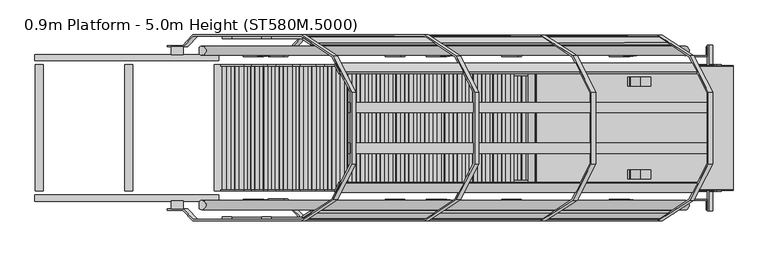
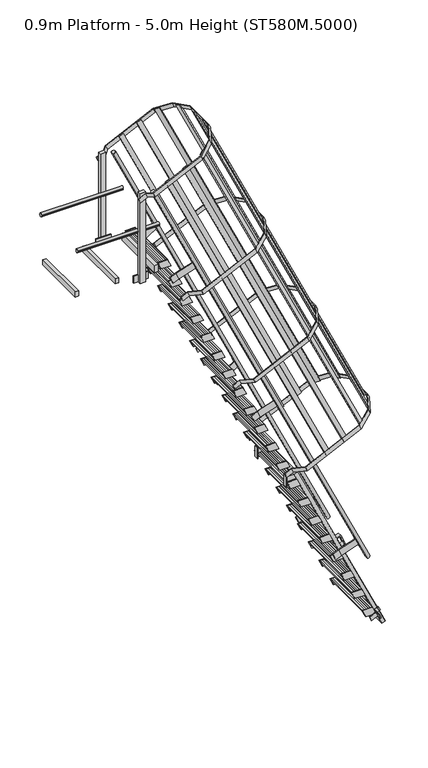
"""IFC4 building model written with IfcOpenShell, lengths in millimetres: proxy geometry, 0.9m Platform - 5.0m Height (ST580M.5000)."""

from ifc_helpers import new_model, si_unit, point, frame, frame_2d, origin, place, context, project, spatial, polyline, circle_curve, trimmed, segment, composite_curve, outline, extrude, source, transform, mapped, element, save


def proxy_0_9m_platform_5_0m_height_st580m_5000_d2aa1b97(model_context):
    return source(origin(), model_context, "Body", "SweptSolid", [
        extrude(outline(polyline([(4750.0, -287.4261889), (4670.0, -250.1215813), (4670.0, -139.7837842), (4750.0, -177.0883969), (4750.0, -287.4261889)])), frame((0.0, 298.5, 0.0), z_axis=(0.0, 1.0, 0.0), x_axis=(0.0, 0.0, 1.0)), (0.0, 0.0, 1.0), 6.0),
        extrude(outline(polyline([(4750.0, -287.4261889), (4670.0, -250.1215813), (4670.0, -139.7837842), (4750.0, -177.0883969), (4750.0, -287.4261889)])), frame((0.0, -304.5, 0.0), z_axis=(0.0, 1.0, 0.0), x_axis=(0.0, 0.0, 1.0)), (0.0, 0.0, 1.0), 6.0),
        extrude(outline(polyline([(4750.0, -280.2542326), (4712.0999991, -262.5811744), (4712.0999991, -260.3744186), (4747.0, -276.648554), (4747.0, -177.8962297), (4712.0999991, -161.6220921), (4712.0999991, -159.4153362), (4750.0, -177.0883969), (4750.0, -197.516138), (4749.2749538, -197.8542326), (4750.0, -198.1923272), (4750.0, -218.116138), (4749.2749538, -218.4542326), (4750.0, -218.7923272), (4750.0, -238.716138), (4749.2749538, -239.0542326), (4750.0, -239.3923272), (4750.0, -259.316138), (4749.2749538, -259.6542326), (4750.0, -259.9923272), (4750.0, -280.2542326)])), frame((0.0, -298.5, 0.0), z_axis=(0.0, 1.0, 0.0), x_axis=(0.0, 0.0, 1.0)), (0.0, 0.0, 1.0), 597.0),
        extrude(outline(polyline([(4500.0, -170.8475896), (4420.0, -133.542982), (4420.0, -23.2051849), (4500.0, -60.5097976), (4500.0, -170.8475896)])), frame((0.0, 298.5, 0.0), z_axis=(0.0, 1.0, 0.0), x_axis=(0.0, 0.0, 1.0)), (0.0, 0.0, 1.0), 6.0),
        extrude(outline(polyline([(4500.0, -170.8475896), (4420.0, -133.542982), (4420.0, -23.2051849), (4500.0, -60.5097976), (4500.0, -170.8475896)])), frame((0.0, -304.5, 0.0), z_axis=(0.0, 1.0, 0.0), x_axis=(0.0, 0.0, 1.0)), (0.0, 0.0, 1.0), 6.0),
        extrude(outline(polyline([(4500.0, -163.6756333), (4462.0999991, -146.0025751), (4462.0999991, -143.7958193), (4497.0, -160.0699547), (4497.0, -61.3176305), (4462.0999991, -45.0434928), (4462.0999991, -42.8367369), (4500.0, -60.5097976), (4500.0, -80.9375387), (4499.2749538, -81.2756333), (4500.0, -81.6137279), (4500.0, -101.5375387), (4499.2749538, -101.8756333), (4500.0, -102.2137279), (4500.0, -122.1375387), (4499.2749538, -122.4756333), (4500.0, -122.8137279), (4500.0, -142.7375387), (4499.2749538, -143.0756333), (4500.0, -143.4137279), (4500.0, -163.6756333)])), frame((0.0, -298.5, 0.0), z_axis=(0.0, 1.0, 0.0), x_axis=(0.0, 0.0, 1.0)), (0.0, 0.0, 1.0), 597.0),
        extrude(outline(polyline([(4250.0, -54.2689903), (4170.0, -16.9643827), (4170.0, 93.3734144), (4250.0, 56.0688017), (4250.0, -54.2689903)])), frame((0.0, 298.5, 0.0), z_axis=(0.0, 1.0, 0.0), x_axis=(0.0, 0.0, 1.0)), (0.0, 0.0, 1.0), 6.0),
        extrude(outline(polyline([(4250.0, -54.2689903), (4170.0, -16.9643827), (4170.0, 93.3734144), (4250.0, 56.0688017), (4250.0, -54.2689903)])), frame((0.0, -304.5, 0.0), z_axis=(0.0, 1.0, 0.0), x_axis=(0.0, 0.0, 1.0)), (0.0, 0.0, 1.0), 6.0),
        extrude(outline(polyline([(4250.0, -47.097034), (4212.0999991, -29.4239758), (4212.0999991, -27.21722), (4247.0, -43.4913555), (4247.0, 55.2609688), (4212.0999991, 71.5351065), (4212.0999991, 73.7418623), (4250.0, 56.0688017), (4250.0, 35.6410605), (4249.2749538, 35.302966), (4250.0, 34.9648714), (4250.0, 15.0410605), (4249.2749538, 14.702966), (4250.0, 14.3648714), (4250.0, -5.5589395), (4249.2749538, -5.897034), (4250.0, -6.2351286), (4250.0, -26.1589395), (4249.2749538, -26.497034), (4250.0, -26.8351286), (4250.0, -47.097034)])), frame((0.0, -298.5, 0.0), z_axis=(0.0, 1.0, 0.0), x_axis=(0.0, 0.0, 1.0)), (0.0, 0.0, 1.0), 597.0),
        extrude(outline(polyline([(4000.0, 62.309609), (3920.0, 99.6142166), (3920.0, 209.9520136), (4000.0, 172.647401), (4000.0, 62.309609)])), frame((0.0, 298.5, 0.0), z_axis=(0.0, 1.0, 0.0), x_axis=(0.0, 0.0, 1.0)), (0.0, 0.0, 1.0), 6.0),
        extrude(outline(polyline([(4000.0, 62.309609), (3920.0, 99.6142166), (3920.0, 209.9520136), (4000.0, 172.647401), (4000.0, 62.309609)])), frame((0.0, -304.5, 0.0), z_axis=(0.0, 1.0, 0.0), x_axis=(0.0, 0.0, 1.0)), (0.0, 0.0, 1.0), 6.0),
        extrude(outline(polyline([(4000.0, 69.4815653), (3962.0999991, 87.1546235), (3962.0999991, 89.3613793), (3997.0, 73.0872438), (3997.0, 171.8395681), (3962.0999991, 188.1137058), (3962.0999991, 190.3204616), (4000.0, 172.647401), (4000.0, 152.2196598), (3999.2749538, 151.8815653), (4000.0, 151.5434707), (4000.0, 131.6196598), (3999.2749538, 131.2815653), (4000.0, 130.9434707), (4000.0, 111.0196598), (3999.2749538, 110.6815653), (4000.0, 110.3434707), (4000.0, 90.4196598), (3999.2749538, 90.0815653), (4000.0, 89.7434707), (4000.0, 69.4815653)])), frame((0.0, -298.5, 0.0), z_axis=(0.0, 1.0, 0.0), x_axis=(0.0, 0.0, 1.0)), (0.0, 0.0, 1.0), 597.0),
        extrude(outline(polyline([(3750.0, 178.8882083), (3670.0, 216.1928159), (3670.0, 326.5306129), (3750.0, 289.2260003), (3750.0, 178.8882083)])), frame((0.0, 298.5, 0.0), z_axis=(0.0, 1.0, 0.0), x_axis=(0.0, 0.0, 1.0)), (0.0, 0.0, 1.0), 6.0),
        extrude(outline(polyline([(3750.0, 178.8882083), (3670.0, 216.1928159), (3670.0, 326.5306129), (3750.0, 289.2260003), (3750.0, 178.8882083)])), frame((0.0, -304.5, 0.0), z_axis=(0.0, 1.0, 0.0), x_axis=(0.0, 0.0, 1.0)), (0.0, 0.0, 1.0), 6.0),
        extrude(outline(polyline([(3750.0, 186.0601646), (3712.0999991, 203.7332228), (3712.0999991, 205.9399786), (3747.0, 189.6658431), (3747.0, 288.4181674), (3712.0999991, 304.6923051), (3712.0999991, 306.8990609), (3750.0, 289.2260003), (3750.0, 268.7982591), (3749.2749538, 268.4601646), (3750.0, 268.12207), (3750.0, 248.1982591), (3749.2749538, 247.8601646), (3750.0, 247.52207), (3750.0, 227.5982591), (3749.2749538, 227.2601646), (3750.0, 226.92207), (3750.0, 206.9982591), (3749.2749538, 206.6601646), (3750.0, 206.32207), (3750.0, 186.0601646)])), frame((0.0, -298.5, 0.0), z_axis=(0.0, 1.0, 0.0), x_axis=(0.0, 0.0, 1.0)), (0.0, 0.0, 1.0), 597.0),
        extrude(outline(polyline([(3500.0, 295.4668075), (3420.0, 332.7714151), (3420.0, 443.1092122), (3500.0, 405.8045996), (3500.0, 295.4668075)])), frame((0.0, 298.5, 0.0), z_axis=(0.0, 1.0, 0.0), x_axis=(0.0, 0.0, 1.0)), (0.0, 0.0, 1.0), 6.0),
        extrude(outline(polyline([(3500.0, 295.4668075), (3420.0, 332.7714151), (3420.0, 443.1092122), (3500.0, 405.8045996), (3500.0, 295.4668075)])), frame((0.0, -304.5, 0.0), z_axis=(0.0, 1.0, 0.0), x_axis=(0.0, 0.0, 1.0)), (0.0, 0.0, 1.0), 6.0),
        extrude(outline(polyline([(3500.0, 302.6387638), (3462.0999991, 320.3118221), (3462.0999991, 322.5185779), (3497.0, 306.2444424), (3497.0, 404.9967667), (3462.0999991, 421.2709044), (3462.0999991, 423.4776602), (3500.0, 405.8045996), (3500.0, 385.3768584), (3499.2749538, 385.0387638), (3500.0, 384.7006693), (3500.0, 364.7768584), (3499.2749538, 364.4387638), (3500.0, 364.1006693), (3500.0, 344.1768584), (3499.2749538, 343.8387638), (3500.0, 343.5006693), (3500.0, 323.5768584), (3499.2749538, 323.2387638), (3500.0, 322.9006693), (3500.0, 302.6387638)])), frame((0.0, -298.5, 0.0), z_axis=(0.0, 1.0, 0.0), x_axis=(0.0, 0.0, 1.0)), (0.0, 0.0, 1.0), 597.0),
        extrude(outline(polyline([(3250.0, 412.0454068), (3170.0, 449.3500144), (3170.0, 559.6878115), (3250.0, 522.3831988), (3250.0, 412.0454068)])), frame((0.0, 298.5, 0.0), z_axis=(0.0, 1.0, 0.0), x_axis=(0.0, 0.0, 1.0)), (0.0, 0.0, 1.0), 6.0),
        extrude(outline(polyline([(3250.0, 412.0454068), (3170.0, 449.3500144), (3170.0, 559.6878115), (3250.0, 522.3831988), (3250.0, 412.0454068)])), frame((0.0, -304.5, 0.0), z_axis=(0.0, 1.0, 0.0), x_axis=(0.0, 0.0, 1.0)), (0.0, 0.0, 1.0), 6.0),
        extrude(outline(polyline([(3250.0, 419.2173631), (3212.0999991, 436.8904214), (3212.0999991, 439.0971772), (3247.0, 422.8230417), (3247.0, 521.575366), (3212.0999991, 537.8495037), (3212.0999991, 540.0562595), (3250.0, 522.3831988), (3250.0, 501.9554577), (3249.2749538, 501.6173631), (3250.0, 501.2792686), (3250.0, 481.3554577), (3249.2749538, 481.0173631), (3250.0, 480.6792686), (3250.0, 460.7554577), (3249.2749538, 460.4173631), (3250.0, 460.0792686), (3250.0, 440.1554577), (3249.2749538, 439.8173631), (3250.0, 439.4792686), (3250.0, 419.2173631)])), frame((0.0, -298.5, 0.0), z_axis=(0.0, 1.0, 0.0), x_axis=(0.0, 0.0, 1.0)), (0.0, 0.0, 1.0), 597.0),
        extrude(outline(polyline([(3000.0, 528.6240061), (2920.0, 565.9286137), (2920.0, 676.2664108), (3000.0, 638.9617981), (3000.0, 528.6240061)])), frame((0.0, 298.5, 0.0), z_axis=(0.0, 1.0, 0.0), x_axis=(0.0, 0.0, 1.0)), (0.0, 0.0, 1.0), 6.0),
        extrude(outline(polyline([(3000.0, 528.6240061), (2920.0, 565.9286137), (2920.0, 676.2664108), (3000.0, 638.9617981), (3000.0, 528.6240061)])), frame((0.0, -304.5, 0.0), z_axis=(0.0, 1.0, 0.0), x_axis=(0.0, 0.0, 1.0)), (0.0, 0.0, 1.0), 6.0),
        extrude(outline(polyline([(3000.0, 535.7959624), (2962.0999991, 553.4690207), (2962.0999991, 555.6757764), (2997.0, 539.401641), (2997.0, 638.1539653), (2962.0999991, 654.4281029), (2962.0999991, 656.6348588), (3000.0, 638.9617981), (3000.0, 618.534057), (2999.2749538, 618.1959624), (3000.0, 617.8578678), (3000.0, 597.934057), (2999.2749538, 597.5959624), (3000.0, 597.2578678), (3000.0, 577.334057), (2999.2749538, 576.9959624), (3000.0, 576.6578678), (3000.0, 556.734057), (2999.2749538, 556.3959624), (3000.0, 556.0578678), (3000.0, 535.7959624)])), frame((0.0, -298.5, 0.0), z_axis=(0.0, 1.0, 0.0), x_axis=(0.0, 0.0, 1.0)), (0.0, 0.0, 1.0), 597.0),
        extrude(outline(polyline([(2750.0, 645.2026054), (2670.0, 682.507213), (2670.0, 792.8450101), (2750.0, 755.5403974), (2750.0, 645.2026054)])), frame((0.0, 298.5, 0.0), z_axis=(0.0, 1.0, 0.0), x_axis=(0.0, 0.0, 1.0)), (0.0, 0.0, 1.0), 6.0),
        extrude(outline(polyline([(2750.0, 645.2026054), (2670.0, 682.507213), (2670.0, 792.8450101), (2750.0, 755.5403974), (2750.0, 645.2026054)])), frame((0.0, -304.5, 0.0), z_axis=(0.0, 1.0, 0.0), x_axis=(0.0, 0.0, 1.0)), (0.0, 0.0, 1.0), 6.0),
        extrude(outline(polyline([(2750.0, 652.3745617), (2712.0999991, 670.0476199), (2712.0999991, 672.2543757), (2747.0, 655.9802403), (2747.0, 754.7325646), (2712.0999991, 771.0067022), (2712.0999991, 773.2134581), (2750.0, 755.5403974), (2750.0, 735.1126563), (2749.2749538, 734.7745617), (2750.0, 734.4364671), (2750.0, 714.5126563), (2749.2749538, 714.1745617), (2750.0, 713.8364671), (2750.0, 693.9126563), (2749.2749538, 693.5745617), (2750.0, 693.2364671), (2750.0, 673.3126563), (2749.2749538, 672.9745617), (2750.0, 672.6364671), (2750.0, 652.3745617)])), frame((0.0, -298.5, 0.0), z_axis=(0.0, 1.0, 0.0), x_axis=(0.0, 0.0, 1.0)), (0.0, 0.0, 1.0), 597.0),
        extrude(outline(polyline([(2500.0, 761.7812047), (2420.0, 799.0858123), (2420.0, 909.4236094), (2500.0, 872.1189967), (2500.0, 761.7812047)])), frame((0.0, 298.5, 0.0), z_axis=(0.0, 1.0, 0.0), x_axis=(0.0, 0.0, 1.0)), (0.0, 0.0, 1.0), 6.0),
        extrude(outline(polyline([(2500.0, 761.7812047), (2420.0, 799.0858123), (2420.0, 909.4236094), (2500.0, 872.1189967), (2500.0, 761.7812047)])), frame((0.0, -304.5, 0.0), z_axis=(0.0, 1.0, 0.0), x_axis=(0.0, 0.0, 1.0)), (0.0, 0.0, 1.0), 6.0),
        extrude(outline(polyline([(2500.0, 768.953161), (2462.0999991, 786.6262192), (2462.0999991, 788.832975), (2497.0, 772.5588396), (2497.0, 871.3111638), (2462.0999991, 887.5853015), (2462.0999991, 889.7920574), (2500.0, 872.1189967), (2500.0, 851.6912556), (2499.2749538, 851.353161), (2500.0, 851.0150664), (2500.0, 831.0912556), (2499.2749538, 830.753161), (2500.0, 830.4150664), (2500.0, 810.4912556), (2499.2749538, 810.153161), (2500.0, 809.8150664), (2500.0, 789.8912556), (2499.2749538, 789.553161), (2500.0, 789.2150664), (2500.0, 768.953161)])), frame((0.0, -298.5, 0.0), z_axis=(0.0, 1.0, 0.0), x_axis=(0.0, 0.0, 1.0)), (0.0, 0.0, 1.0), 597.0),
        extrude(outline(polyline([(2250.0, 878.359804), (2170.0, 915.6644116), (2170.0, 1026.0022087), (2250.0, 988.697596), (2250.0, 878.359804)])), frame((0.0, 298.5, 0.0), z_axis=(0.0, 1.0, 0.0), x_axis=(0.0, 0.0, 1.0)), (0.0, 0.0, 1.0), 6.0),
        extrude(outline(polyline([(2250.0, 878.359804), (2170.0, 915.6644116), (2170.0, 1026.0022087), (2250.0, 988.697596), (2250.0, 878.359804)])), frame((0.0, -304.5, 0.0), z_axis=(0.0, 1.0, 0.0), x_axis=(0.0, 0.0, 1.0)), (0.0, 0.0, 1.0), 6.0),
        extrude(outline(polyline([(2250.0, 885.5317603), (2212.0999991, 903.2048185), (2212.0999991, 905.4115743), (2247.0, 889.1374388), (2247.0, 987.8897631), (2212.0999991, 1004.1639008), (2212.0999991, 1006.3706566), (2250.0, 988.697596), (2250.0, 968.2698548), (2249.2749538, 967.9317603), (2250.0, 967.5936657), (2250.0, 947.6698548), (2249.2749538, 947.3317603), (2250.0, 946.9936657), (2250.0, 927.0698548), (2249.2749538, 926.7317603), (2250.0, 926.3936657), (2250.0, 906.4698548), (2249.2749538, 906.1317603), (2250.0, 905.7936657), (2250.0, 885.5317603)])), frame((0.0, -298.5, 0.0), z_axis=(0.0, 1.0, 0.0), x_axis=(0.0, 0.0, 1.0)), (0.0, 0.0, 1.0), 597.0),
        extrude(outline(polyline([(2000.0, 994.9384033), (1920.0, 1032.2430109), (1920.0, 1142.5808079), (2000.0, 1105.2761953), (2000.0, 994.9384033)])), frame((0.0, 298.5, 0.0), z_axis=(0.0, 1.0, 0.0), x_axis=(0.0, 0.0, 1.0)), (0.0, 0.0, 1.0), 6.0),
        extrude(outline(polyline([(2000.0, 994.9384033), (1920.0, 1032.2430109), (1920.0, 1142.5808079), (2000.0, 1105.2761953), (2000.0, 994.9384033)])), frame((0.0, -304.5, 0.0), z_axis=(0.0, 1.0, 0.0), x_axis=(0.0, 0.0, 1.0)), (0.0, 0.0, 1.0), 6.0),
        extrude(outline(polyline([(2000.0, 1002.1103596), (1962.0999991, 1019.7834178), (1962.0999991, 1021.9901736), (1997.0, 1005.7160381), (1997.0, 1104.4683624), (1962.0999991, 1120.7425001), (1962.0999991, 1122.9492559), (2000.0, 1105.2761953), (2000.0, 1084.8484541), (1999.2749538, 1084.5103596), (2000.0, 1084.172265), (2000.0, 1064.2484541), (1999.2749538, 1063.9103596), (2000.0, 1063.572265), (2000.0, 1043.6484541), (1999.2749538, 1043.3103596), (2000.0, 1042.972265), (2000.0, 1023.0484541), (1999.2749538, 1022.7103596), (2000.0, 1022.372265), (2000.0, 1002.1103596)])), frame((0.0, -298.5, 0.0), z_axis=(0.0, 1.0, 0.0), x_axis=(0.0, 0.0, 1.0)), (0.0, 0.0, 1.0), 597.0),
        extrude(outline(polyline([(1750.0, 1111.5170026), (1670.0, 1148.8216102), (1670.0, 1259.1594072), (1750.0, 1221.8547946), (1750.0, 1111.5170026)])), frame((0.0, 298.5, 0.0), z_axis=(0.0, 1.0, 0.0), x_axis=(0.0, 0.0, 1.0)), (0.0, 0.0, 1.0), 6.0),
        extrude(outline(polyline([(1750.0, 1111.5170026), (1670.0, 1148.8216102), (1670.0, 1259.1594072), (1750.0, 1221.8547946), (1750.0, 1111.5170026)])), frame((0.0, -304.5, 0.0), z_axis=(0.0, 1.0, 0.0), x_axis=(0.0, 0.0, 1.0)), (0.0, 0.0, 1.0), 6.0),
        extrude(outline(polyline([(1750.0, 1118.6889589), (1712.0999991, 1136.3620171), (1712.0999991, 1138.5687729), (1747.0, 1122.2946374), (1747.0, 1221.0469617), (1712.0999991, 1237.3210994), (1712.0999991, 1239.5278552), (1750.0, 1221.8547946), (1750.0, 1201.4270534), (1749.2749538, 1201.0889589), (1750.0, 1200.7508643), (1750.0, 1180.8270534), (1749.2749538, 1180.4889589), (1750.0, 1180.1508643), (1750.0, 1160.2270534), (1749.2749538, 1159.8889589), (1750.0, 1159.5508643), (1750.0, 1139.6270534), (1749.2749538, 1139.2889589), (1750.0, 1138.9508643), (1750.0, 1118.6889589)])), frame((0.0, -298.5, 0.0), z_axis=(0.0, 1.0, 0.0), x_axis=(0.0, 0.0, 1.0)), (0.0, 0.0, 1.0), 597.0),
        extrude(outline(polyline([(1500.0, 1228.0956018), (1420.0, 1265.4002094), (1420.0, 1375.7380065), (1500.0, 1338.4333939), (1500.0, 1228.0956018)])), frame((0.0, 298.5, 0.0), z_axis=(0.0, 1.0, 0.0), x_axis=(0.0, 0.0, 1.0)), (0.0, 0.0, 1.0), 6.0),
        extrude(outline(polyline([(1500.0, 1228.0956018), (1420.0, 1265.4002094), (1420.0, 1375.7380065), (1500.0, 1338.4333939), (1500.0, 1228.0956018)])), frame((0.0, -304.5, 0.0), z_axis=(0.0, 1.0, 0.0), x_axis=(0.0, 0.0, 1.0)), (0.0, 0.0, 1.0), 6.0),
        extrude(outline(polyline([(1500.0, 1235.2675581), (1462.0999991, 1252.9406164), (1462.0999991, 1255.1473722), (1497.0, 1238.8732367), (1497.0, 1337.625561), (1462.0999991, 1353.8996987), (1462.0999991, 1356.1064545), (1500.0, 1338.4333939), (1500.0, 1318.0056527), (1499.2749538, 1317.6675581), (1500.0, 1317.3294636), (1500.0, 1297.4056527), (1499.2749538, 1297.0675581), (1500.0, 1296.7294636), (1500.0, 1276.8056527), (1499.2749538, 1276.4675581), (1500.0, 1276.1294636), (1500.0, 1256.2056527), (1499.2749538, 1255.8675581), (1500.0, 1255.5294636), (1500.0, 1235.2675581)])), frame((0.0, -298.5, 0.0), z_axis=(0.0, 1.0, 0.0), x_axis=(0.0, 0.0, 1.0)), (0.0, 0.0, 1.0), 597.0),
        extrude(outline(polyline([(1250.0, 1344.6742011), (1170.0, 1381.9788087), (1170.0, 1492.3166058), (1250.0, 1455.0119931), (1250.0, 1344.6742011)])), frame((0.0, 298.5, 0.0), z_axis=(0.0, 1.0, 0.0), x_axis=(0.0, 0.0, 1.0)), (0.0, 0.0, 1.0), 6.0),
        extrude(outline(polyline([(1250.0, 1344.6742011), (1170.0, 1381.9788087), (1170.0, 1492.3166058), (1250.0, 1455.0119931), (1250.0, 1344.6742011)])), frame((0.0, -304.5, 0.0), z_axis=(0.0, 1.0, 0.0), x_axis=(0.0, 0.0, 1.0)), (0.0, 0.0, 1.0), 6.0),
        extrude(outline(polyline([(1250.0, 1351.8461574), (1212.0999991, 1369.5192157), (1212.0999991, 1371.7259715), (1247.0, 1355.451836), (1247.0, 1454.2041603), (1212.0999991, 1470.478298), (1212.0999991, 1472.6850538), (1250.0, 1455.0119931), (1250.0, 1434.584252), (1249.2749538, 1434.2461574), (1250.0, 1433.9080629), (1250.0, 1413.984252), (1249.2749538, 1413.6461574), (1250.0, 1413.3080629), (1250.0, 1393.384252), (1249.2749538, 1393.0461574), (1250.0, 1392.7080629), (1250.0, 1372.784252), (1249.2749538, 1372.4461574), (1250.0, 1372.1080629), (1250.0, 1351.8461574)])), frame((0.0, -298.5, 0.0), z_axis=(0.0, 1.0, 0.0), x_axis=(0.0, 0.0, 1.0)), (0.0, 0.0, 1.0), 597.0),
        extrude(outline(polyline([(1000.0, 1461.2528004), (920.0, 1498.557408), (920.0, 1608.8952051), (1000.0, 1571.5905924), (1000.0, 1461.2528004)])), frame((0.0, 298.5, 0.0), z_axis=(0.0, 1.0, 0.0), x_axis=(0.0, 0.0, 1.0)), (0.0, 0.0, 1.0), 6.0),
        extrude(outline(polyline([(1000.0, 1461.2528004), (920.0, 1498.557408), (920.0, 1608.8952051), (1000.0, 1571.5905924), (1000.0, 1461.2528004)])), frame((0.0, -304.5, 0.0), z_axis=(0.0, 1.0, 0.0), x_axis=(0.0, 0.0, 1.0)), (0.0, 0.0, 1.0), 6.0),
        extrude(outline(polyline([(1000.0, 1468.4247567), (962.0999991, 1486.097815), (962.0999991, 1488.3045707), (997.0, 1472.0304353), (997.0, 1570.7827596), (962.0999991, 1587.0568972), (962.0999991, 1589.2636531), (1000.0, 1571.5905924), (1000.0, 1551.1628513), (999.2749538, 1550.8247567), (1000.0, 1550.4866621), (1000.0, 1530.5628513), (999.2749538, 1530.2247567), (1000.0, 1529.8866621), (1000.0, 1509.9628513), (999.2749538, 1509.6247567), (1000.0, 1509.2866621), (1000.0, 1489.3628513), (999.2749538, 1489.0247567), (1000.0, 1488.6866621), (1000.0, 1468.4247567)])), frame((0.0, -298.5, 0.0), z_axis=(0.0, 1.0, 0.0), x_axis=(0.0, 0.0, 1.0)), (0.0, 0.0, 1.0), 597.0),
        extrude(outline(polyline([(750.0, 1577.8313997), (670.0, 1615.1360073), (670.0, 1725.4738044), (750.0, 1688.1691917), (750.0, 1577.8313997)])), frame((0.0, 298.5, 0.0), z_axis=(0.0, 1.0, 0.0), x_axis=(0.0, 0.0, 1.0)), (0.0, 0.0, 1.0), 6.0),
        extrude(outline(polyline([(750.0, 1577.8313997), (670.0, 1615.1360073), (670.0, 1725.4738044), (750.0, 1688.1691917), (750.0, 1577.8313997)])), frame((0.0, -304.5, 0.0), z_axis=(0.0, 1.0, 0.0), x_axis=(0.0, 0.0, 1.0)), (0.0, 0.0, 1.0), 6.0),
        extrude(outline(polyline([(750.0, 1585.003356), (712.0999991, 1602.6764142), (712.0999991, 1604.88317), (747.0, 1588.6090346), (747.0, 1687.3613589), (712.0999991, 1703.6354965), (712.0999991, 1705.8422524), (750.0, 1688.1691917), (750.0, 1667.7414506), (749.2749538, 1667.403356), (750.0, 1667.0652614), (750.0, 1647.1414506), (749.2749538, 1646.803356), (750.0, 1646.4652614), (750.0, 1626.5414506), (749.2749538, 1626.203356), (750.0, 1625.8652614), (750.0, 1605.9414506), (749.2749538, 1605.603356), (750.0, 1605.2652614), (750.0, 1585.003356)])), frame((0.0, -298.5, 0.0), z_axis=(0.0, 1.0, 0.0), x_axis=(0.0, 0.0, 1.0)), (0.0, 0.0, 1.0), 597.0),
        extrude(outline(polyline([(500.0, 1694.409999), (420.0, 1731.7146066), (420.0, 1842.0524037), (500.0, 1804.747791), (500.0, 1694.409999)])), frame((0.0, 298.5, 0.0), z_axis=(0.0, 1.0, 0.0), x_axis=(0.0, 0.0, 1.0)), (0.0, 0.0, 1.0), 6.0),
        extrude(outline(polyline([(500.0, 1694.409999), (420.0, 1731.7146066), (420.0, 1842.0524037), (500.0, 1804.747791), (500.0, 1694.409999)])), frame((0.0, -304.5, 0.0), z_axis=(0.0, 1.0, 0.0), x_axis=(0.0, 0.0, 1.0)), (0.0, 0.0, 1.0), 6.0),
        extrude(outline(polyline([(500.0, 1701.5819553), (462.0999991, 1719.2550135), (462.0999991, 1721.4617693), (497.0, 1705.1876339), (497.0, 1803.9399581), (462.0999991, 1820.2140958), (462.0999991, 1822.4208517), (500.0, 1804.747791), (500.0, 1784.3200499), (499.2749538, 1783.9819553), (500.0, 1783.6438607), (500.0, 1763.7200499), (499.2749538, 1763.3819553), (500.0, 1763.0438607), (500.0, 1743.1200499), (499.2749538, 1742.7819553), (500.0, 1742.4438607), (500.0, 1722.5200499), (499.2749538, 1722.1819553), (500.0, 1721.8438607), (500.0, 1701.5819553)])), frame((0.0, -298.5, 0.0), z_axis=(0.0, 1.0, 0.0), x_axis=(0.0, 0.0, 1.0)), (0.0, 0.0, 1.0), 597.0),
        extrude(outline(polyline([(0.0, -6.0), (0.0, 0.0), (50.0, 0.0), (50.0, -6.0), (0.0, -6.0)])), frame((1001.5086641, 296.0, 1938.5821407), z_axis=(-5.264905366508809e-06, 0.0, 0.9999999999861404), x_axis=(0.0, -1.0, 0.0)), (0.0, 0.0, 1.0), 120.0),
        extrude(outline(polyline([(2000.5826938, 1106.5541818), (2058.5825514, 1079.5080323), (2058.5821407, 1001.5080323), (2000.5821407, 1001.5083377), (2000.5826938, 1106.5541818)])), frame((0.0, 252.0, 0.0), z_axis=(0.0, 1.0, 0.0), x_axis=(0.0, 0.0, 1.0)), (0.0, 0.0, 1.0), 38.0),
        extrude(outline(polyline([(0.0, -6.0), (0.0, 0.0), (50.0, 0.0), (50.0, -6.0), (0.0, -6.0)])), frame((995.5086641, -296.0, 1938.5821091), z_axis=(-5.264905364066319e-06, 0.0, 0.9999999999861405), x_axis=(0.0, 1.0, 0.0)), (0.0, 0.0, 1.0), 120.0),
        extrude(outline(polyline([(2000.5826938, 1106.5541818), (2058.5825514, 1079.5080323), (2058.5821407, 1001.5080323), (2000.5821407, 1001.5083377), (2000.5826938, 1106.5541818)])), frame((0.0, -290.0, 0.0), z_axis=(0.0, 1.0, 0.0), x_axis=(0.0, 0.0, 1.0)), (0.0, 0.0, 1.0), 38.0),
        extrude(outline(polyline([(0.0, -590.0), (0.0, 0.0), (2.0, 0.0), (2.0, -590.0), (0.0, -590.0)])), frame((2060.3227343, -295.0, 49.8945417), z_axis=(-0.4226230333595665, 0.0, 0.9063055619789381), x_axis=(-0.9063055619789381, 0.0, -0.4226230333595665)), (0.0, 0.0, 1.0), 2240.0),
        extrude(outline(polyline([(2249.9999999, 0.0), (2249.9999999, -600.0), (0.0, -600.0), (0.0, 0.0), (2249.9999999, 0.0)]), holes=[polyline([(1095.9999999, -58.0), (58.0, -58.0), (58.0, -542.0), (1095.9999999, -542.0), (1095.9999999, -58.0)]), polyline([(1154.0, -542.0), (2191.9999999, -542.0), (2191.9999999, -58.0), (1154.0, -58.0), (1154.0, -542.0)])]), frame((1075.281802, 300.0, 2067.645607), z_axis=(0.9063055619789381, 0.0, 0.4226230333595665), x_axis=(0.4226230333595665, 0.0, -0.9063055619789381)), (0.0, 0.0, 1.0), 38.0),
        extrude(outline(polyline([(0.0, 0.0), (80.0000001, 0.0), (80.0000001, -6.0), (6.0, -6.0), (6.0, -50.0), (0.0, -50.0), (0.0, 0.0)])), frame((1958.5639417, 343.0, 173.4669825), z_axis=(-0.4226230333595665, 0.0, 0.9063055619789381), x_axis=(-0.9063055619789381, 0.0, -0.4226230333595665)), (0.0, 0.0, 1.0), 50.0),
        extrude(outline(polyline([(0.0, 686.0), (0.0, 736.0), (6.0, 736.0), (6.0, 692.0), (80.0000001, 692.0), (80.0000001, 686.0), (0.0, 686.0)])), frame((1958.5639417, 343.0, 173.4669825), z_axis=(-0.4226230333595665, 0.0, 0.9063055619789381), x_axis=(-0.9063055619789381, 0.0, -0.4226230333595665)), (0.0, 0.0, 1.0), 50.0),
        extrude(outline(polyline([(-100.0, 0.0), (0.0, 0.0), (0.0, -50.0), (-6.0, -50.0), (-6.0, -6.0), (-100.0, -6.0), (-100.0, 0.0)])), frame((1958.5639417, -300.0, 173.4669825), z_axis=(-0.4226230333595665, 0.0, 0.9063055619789381), x_axis=(0.0, 1.0, 0.0)), (0.0, 0.0, 1.0), 50.0),
        extrude(outline(polyline([(700.0, 0.0), (700.0, -6.0), (606.0, -6.0), (606.0, -50.0), (600.0, -50.0), (600.0, 0.0), (700.0, 0.0)])), frame((1958.5639417, -300.0, 173.4669825), z_axis=(-0.4226230333595665, 0.0, 0.9063055619789381), x_axis=(0.0, 1.0, 0.0)), (0.0, 0.0, 1.0), 50.0),
        extrude(outline(polyline([(1117.9756465, 1562.2614895), (1132.3705659, 1608.5112062), (1038.1147875, 1652.4640017), (1011.9378957, 1611.7083844), (989.2802567, 1622.2739603), (993.506487, 1631.3370159), (1008.007376, 1624.5750474), (1034.1842678, 1665.3306646), (1144.7535463, 1613.7706545), (1130.3586269, 1567.5209378), (1144.8595159, 1560.7589693), (1140.6332855, 1551.6959137), (1117.9756465, 1562.2614895)])), frame((0.0, 201.0, 0.0), z_axis=(0.0, 1.0, 0.0), x_axis=(0.0, 0.0, 1.0)), (0.0, 0.0, 1.0), 44.0),
        extrude(outline(polyline([(1117.9756465, 1562.2614895), (1132.3705659, 1608.5112062), (1038.1147875, 1652.4640017), (1011.9378957, 1611.7083844), (989.2802567, 1622.2739603), (993.506487, 1631.3370159), (1008.007376, 1624.5750474), (1034.1842678, 1665.3306646), (1144.7535463, 1613.7706545), (1130.3586269, 1567.5209378), (1144.8595159, 1560.7589693), (1140.6332855, 1551.6959137), (1117.9756465, 1562.2614895)])), frame((0.0, -245.0, 0.0), z_axis=(0.0, 1.0, 0.0), x_axis=(0.0, 0.0, 1.0)), (0.0, 0.0, 1.0), 44.0),
        extrude(outline(polyline([(-573.915974, 0.0), (0.0, 0.0), (168.0, -100.0), (268.0, -275.0), (268.0, -621.0), (168.0, -796.0), (0.0, -896.0), (-573.915974, -896.0), (-626.9765801, -845.0), (-710.8030304, -845.0), (-710.8030304, -839.0), (-624.5606061, -839.0), (-571.5, -890.0), (-1.5933867, -890.0), (163.6024049, -791.6024049), (262.0, -619.4066134), (262.0, -276.5933866), (163.6024049, -104.3975951), (-1.5933867, -6.0), (-571.5, -6.0), (-624.5606061, -57.0), (-710.8030304, -57.0), (-710.8030304, -51.0), (-626.9765801, -51.0), (-573.915974, 0.0)])), frame((4.1217502, 448.0, 6128.9318413), z_axis=(-0.4226230333595665, 0.0, 0.9063055619789381), x_axis=(0.9063055619789381, 0.0, 0.4226230333595665)), (0.0, 0.0, 1.0), 50.0),
        extrude(outline(polyline([(-6.0, 0.0), (0.0, 0.0), (0.0, -77.584026), (99.0, -180.584026), (99.0, -827.0), (-1.0, -995.0), (-176.0, -1095.0), (-522.0, -1095.0), (-697.0, -995.0), (-797.0, -827.0), (-797.0, -180.584026), (-698.0, -77.584026), (-698.0, 0.0), (-692.0, 0.0), (-692.0, -80.0), (-791.0, -183.0000001), (-791.0, -825.4066134), (-692.6024049, -990.6024049), (-520.4066134, -1089.0), (-177.5933866, -1089.0), (-5.3975951, -990.6024049), (93.0, -825.4066134), (93.0, -183.0000001), (-6.0, -80.0), (-6.0, 0.0)])), frame((408.3248165, 349.0, 3305.3008676), z_axis=(-0.4226230333595665, 0.0, 0.9063055619789381), x_axis=(0.0, 1.0, 0.0)), (0.0, 0.0, 1.0), 50.0),
        extrude(outline(polyline([(-6.0, 0.0), (0.0, 0.0), (0.0, -77.5840259), (99.0, -180.5840259), (99.0, -827.0), (-1.0, -994.9999999), (-176.0, -1094.9999999), (-522.0, -1094.9999999), (-697.0, -994.9999999), (-797.0, -827.0), (-797.0, -180.5840259), (-698.0, -77.5840259), (-698.0, 0.0), (-692.0, 0.0), (-692.0, -79.9999999), (-791.0, -183.0), (-791.0, -825.4066134), (-692.6024049, -990.6024048), (-520.4066134, -1089.0), (-177.5933866, -1089.0), (-5.3975951, -990.6024048), (93.0, -825.4066134), (93.0, -183.0), (-6.0, -79.9999999), (-6.0, 0.0)])), frame((970.370336, 349.0, 2100.0069292), z_axis=(-0.4226230333595665, 0.0, 0.9063055619789381), x_axis=(0.0, 1.0, 0.0)), (0.0, 0.0, 1.0), 50.0),
        extrude(outline(polyline([(0.0, 0.0), (50.0, 0.0), (50.0, -12.0), (0.0, -12.0), (0.0, 0.0)])), frame((1386.3645889, 430.0, 2293.9909015), z_axis=(-0.4226230333595665, 0.0, 0.9063055619789381), x_axis=(-0.9063055619789381, 0.0, -0.4226230333595665)), (0.0, 0.0, 1.0), 4109.795965),
        extrude(outline(polyline([(-210.0, 0.0), (-160.0, 0.0), (-160.0, -12.0), (-210.0, -12.0), (-210.0, 0.0)])), frame((1386.3645889, 430.0, 2293.9909015), z_axis=(-0.4226230333595665, 0.0, 0.9063055619789381), x_axis=(-0.9063055619789381, 0.0, -0.4226230333595665)), (0.0, 0.0, 1.0), 4109.795965),
        extrude(outline(polyline([(-630.0, 357.5), (-618.0, 357.5), (-618.0, 307.5), (-630.0, 307.5), (-630.0, 357.5)])), frame((1386.3645889, 430.0, 2293.9909015), z_axis=(-0.4226230333595665, 0.0, 0.9063055619789381), x_axis=(-0.9063055619789381, 0.0, -0.4226230333595665)), (0.0, 0.0, 1.0), 4109.795965),
        extrude(outline(polyline([(-630.0, 552.5), (-618.0, 552.5), (-618.0, 502.5), (-630.0, 502.5), (-630.0, 552.5)])), frame((1386.3645889, 430.0, 2293.9909015), z_axis=(-0.4226230333595665, 0.0, 0.9063055619789381), x_axis=(-0.9063055619789381, 0.0, -0.4226230333595665)), (0.0, 0.0, 1.0), 4109.795965),
        extrude(outline(polyline([(-210.0, 872.0), (-160.0, 872.0), (-160.0, 860.0), (-210.0, 860.0), (-210.0, 872.0)])), frame((1386.3645889, 430.0, 2293.9909015), z_axis=(-0.4226230333595665, 0.0, 0.9063055619789381), x_axis=(-0.9063055619789381, 0.0, -0.4226230333595665)), (0.0, 0.0, 1.0), 4109.795965),
        extrude(outline(polyline([(0.0, 872.0), (50.0, 872.0), (50.0, 860.0), (0.0, 860.0), (0.0, 872.0)])), frame((1386.3645889, 430.0, 2293.9909015), z_axis=(-0.4226230333595665, 0.0, 0.9063055619789381), x_axis=(-0.9063055619789381, 0.0, -0.4226230333595665)), (0.0, 0.0, 1.0), 4109.795965),
        extrude(outline(polyline([(-416.178252, 29.5287957), (-373.2212406, 3.9417841), (-379.3621233, -6.3678986), (-422.3191349, 19.2191129), (-416.178252, 29.5287957)])), frame((1386.3645889, 430.0, 2293.9909015), z_axis=(-0.4226230333595665, 0.0, 0.9063055619789381), x_axis=(-0.9063055619789381, 0.0, -0.4226230333595665)), (0.0, 0.0, 1.0), 4109.795965),
        extrude(outline(polyline([(-578.1954412, 161.8104088), (-567.7765236, 167.7640761), (-542.9695766, 124.351919), (-553.3884944, 118.3982517), (-578.1954412, 161.8104088)])), frame((1386.3645889, 430.0, 2293.9909015), z_axis=(-0.4226230333595665, 0.0, 0.9063055619789381), x_axis=(-0.9063055619789381, 0.0, -0.4226230333595665)), (0.0, 0.0, 1.0), 4109.795965),
        extrude(outline(polyline([(-416.178252, 830.4712043), (-422.3191349, 840.7808871), (-379.3621233, 866.3678986), (-373.2212406, 856.0582159), (-416.178252, 830.4712043)])), frame((1386.3645889, 430.0, 2293.9909015), z_axis=(-0.4226230333595665, 0.0, 0.9063055619789381), x_axis=(-0.9063055619789381, 0.0, -0.4226230333595665)), (0.0, 0.0, 1.0), 4109.795965),
        extrude(outline(polyline([(-578.1954412, 698.1895912), (-553.3884944, 741.6017483), (-542.9695766, 735.648081), (-567.7765236, 692.2359239), (-578.1954412, 698.1895912)])), frame((1386.3645889, 430.0, 2293.9909015), z_axis=(-0.4226230333595665, 0.0, 0.9063055619789381), x_axis=(-0.9063055619789381, 0.0, -0.4226230333595665)), (0.0, 0.0, 1.0), 4109.795965),
        extrude(outline(polyline([(-6.0, 0.0), (0.0, 0.0), (0.0, -77.584026), (99.0, -180.584026), (99.0, -827.0), (-1.0, -995.0), (-176.0, -1095.0), (-522.0, -1095.0), (-697.0, -995.0), (-797.0, -827.0), (-797.0, -180.584026), (-698.0, -77.584026), (-698.0, 0.0), (-692.0, 0.0), (-692.0, -80.0), (-791.0, -183.0000001), (-791.0, -825.4066134), (-692.6024049, -990.6024049), (-520.4066134, -1089.0), (-177.5933866, -1089.0), (-5.3975951, -990.6024049), (93.0, -825.4066134), (93.0, -183.0000001), (-6.0, -80.0), (-6.0, 0.0)])), frame((-153.7207029, 349.0, 4510.594806), z_axis=(-0.4226230333595665, 0.0, 0.9063055619789381), x_axis=(0.0, 1.0, 0.0)), (0.0, 0.0, 1.0), 50.0),
        extrude(outline(polyline([(-0.0541093, 0.0), (0.7582532, 5.9447512), (185.4590012, 5.9447512), (254.8144324, -3.5328109), (254.0020699, -9.4775622), (184.6466388, 0.0), (-0.0541093, 0.0)])), frame((1728.9800072, 375.0, 1079.9826014), z_axis=(-0.4226230333595666, 0.0, 0.9063055619789382), x_axis=(-0.8979601844013609, -0.13539374535780632, -0.41873146639327163)), (0.0, 0.0, 1.0), 80.0),
        extrude(outline(polyline([(-0.0541093, 0.0), (0.7582532, 5.9447512), (185.4590013, 5.9447512), (254.8144324, -3.5328109), (254.0020699, -9.4775622), (184.6466388, 0.0), (-0.0541093, 0.0)])), frame((848.8979046, 375.0, 2967.2988185), z_axis=(-0.4226230333595666, 0.0, 0.9063055619789382), x_axis=(-0.8979601844013609, -0.13539374535780632, -0.41873146639327163)), (0.0, 0.0, 1.0), 80.0),
        extrude(outline(polyline([(-0.0541093, 0.0), (0.7582532, 5.9447512), (185.4590013, 5.9447512), (254.8144324, -3.5328109), (254.0020699, -9.4775622), (184.6466389, 0.0), (-0.0541093, 0.0)])), frame((-31.1841979, 375.0, 4854.6150355), z_axis=(-0.4226230333595666, 0.0, 0.9063055619789382), x_axis=(-0.8979601844013609, -0.13539374535780632, -0.41873146639327163)), (0.0, 0.0, 1.0), 80.0),
        extrude(outline(polyline([(0.0, 32.0), (3.0, 32.0), (3.0, 0.0), (0.0, 0.0), (0.0, 32.0)])), frame((864.3441003, 388.0, 2941.400178), z_axis=(-0.4226230333595665, 0.0, 0.9063055619789381), x_axis=(-0.9063055619789381, 0.0, -0.4226230333595665)), (0.0, 0.0, 1.0), 140.0),
        extrude(outline(polyline([(0.0, 32.0), (3.0, 32.0), (3.0, 0.0), (0.0, 0.0), (0.0, 32.0)])), frame((1744.4262029, 388.0, 1054.0839609), z_axis=(-0.4226230333595665, 0.0, 0.9063055619789381), x_axis=(-0.9063055619789381, 0.0, -0.4226230333595665)), (0.0, 0.0, 1.0), 140.0),
        extrude(outline(polyline([(0.0, 32.0), (2.9999999, 32.0), (2.9999999, 0.0), (0.0, 0.0), (0.0, 32.0)])), frame((-15.7380023, 388.0, 4828.716395), z_axis=(-0.4226230333595665, 0.0, 0.9063055619789381), x_axis=(-0.9063055619789381, 0.0, -0.4226230333595665)), (0.0, 0.0, 1.0), 140.0),
        extrude(outline(composite_curve([segment(trimmed(circle_curve(frame_2d((0.0, 14.189404)), 22.4521533), [point((-17.4, 0.0))], [point((17.4, 0.0))], False, "CARTESIAN"), True, "CONTINUOUS"), segment(polyline([(17.4, 0.0), (-17.4, 0.0)]), True, "CONTINUOUS")], self_intersect=False)), frame((1816.2721186, 372.0, 900.0120154), z_axis=(-0.4226230333595665, 0.0, 0.9063055619789381), x_axis=(0.0, -1.0, 0.0)), (0.0, 0.0, 1.0), 5494.856305),
        extrude(outline(polyline([(-0.0541092, 0.0), (184.6466389, 0.0), (254.0020699, 9.4775622), (254.8144324, 3.5328109), (185.4590013, -5.9447512), (0.7582532, -5.9447512), (-0.0541092, 0.0)])), frame((1728.9798974, -375.0, 1079.9828372), z_axis=(-0.4226230333595666, 0.0, 0.9063055619789382), x_axis=(-0.8979601844013609, 0.13539374535780632, -0.41873146639327163)), (0.0, 0.0, 1.0), 80.0),
        extrude(outline(polyline([(-0.0541093, 0.0), (184.6466389, 0.0), (254.0020699, 9.4775622), (254.8144324, 3.5328109), (185.4590014, -5.9447512), (0.7582532, -5.9447512), (-0.0541093, 0.0)])), frame((848.8977948, -375.0, 2967.2990543), z_axis=(-0.4226230333595666, 0.0, 0.9063055619789382), x_axis=(-0.8979601844013609, 0.13539374535780632, -0.41873146639327163)), (0.0, 0.0, 1.0), 80.0),
        extrude(outline(polyline([(-0.0541093, 0.0), (184.6466388, 0.0), (254.0020699, 9.4775622), (254.8144324, 3.5328109), (185.4590012, -5.9447512), (0.7582532, -5.9447512), (-0.0541093, 0.0)])), frame((-31.1843078, -375.0, 4854.6152713), z_axis=(-0.4226230333595666, 0.0, 0.9063055619789382), x_axis=(-0.8979601844013609, 0.13539374535780632, -0.41873146639327163)), (0.0, 0.0, 1.0), 80.0),
        extrude(outline(polyline([(0.0, -32.0), (0.0, 0.0), (3.0, 0.0), (3.0, -32.0), (0.0, -32.0)])), frame((864.3439905, -388.0, 2941.4004138), z_axis=(-0.4226230333595665, 0.0, 0.9063055619789381), x_axis=(-0.9063055619789381, 0.0, -0.4226230333595665)), (0.0, 0.0, 1.0), 140.0),
        extrude(outline(polyline([(0.0, -32.0), (0.0, 0.0), (3.0, 0.0), (3.0, -32.0), (0.0, -32.0)])), frame((1744.426093, -388.0, 1054.0841967), z_axis=(-0.4226230333595665, 0.0, 0.9063055619789381), x_axis=(-0.9063055619789381, 0.0, -0.4226230333595665)), (0.0, 0.0, 1.0), 140.0),
        extrude(outline(polyline([(0.0, -32.0), (0.0, 0.0), (3.0, 0.0), (3.0, -32.0), (0.0, -32.0)])), frame((-15.7381121, -388.0, 4828.7166308), z_axis=(-0.4226230333595665, 0.0, 0.9063055619789381), x_axis=(-0.9063055619789381, 0.0, -0.4226230333595665)), (0.0, 0.0, 1.0), 140.0),
        extrude(outline(composite_curve([segment(polyline([(-17.4, 0.0), (17.4, 0.0)]), True, "CONTINUOUS"), segment(trimmed(circle_curve(frame_2d((0.0, -14.189404)), 22.4521533), [point((17.4, 0.0))], [point((-17.4, 0.0))], False, "CARTESIAN"), True, "CONTINUOUS")], self_intersect=False)), frame((1816.2720087, -372.0, 900.0122512), z_axis=(-0.4226230333595665, 0.0, 0.9063055619789381), x_axis=(0.0, 1.0, 0.0)), (0.0, 0.0, 1.0), 5494.856305),
        extrude(outline(polyline([(5000.0, -404.0047882), (4920.0, -366.7001806), (4920.0, -256.3623835), (5000.0, -293.6669962), (5000.0, -404.0047882)])), frame((0.0, 298.5, 0.0), z_axis=(0.0, 1.0, 0.0), x_axis=(0.0, 0.0, 1.0)), (0.0, 0.0, 1.0), 6.0),
        extrude(outline(polyline([(5000.0, -404.0047882), (4920.0, -366.7001806), (4920.0, -256.3623835), (5000.0, -293.6669962), (5000.0, -404.0047882)])), frame((0.0, -304.5, 0.0), z_axis=(0.0, 1.0, 0.0), x_axis=(0.0, 0.0, 1.0)), (0.0, 0.0, 1.0), 6.0),
        extrude(outline(polyline([(5000.0, -396.8328319), (4962.0999991, -379.1597736), (4962.0999991, -376.9530179), (4997.0, -393.2271533), (4997.0, -294.474829), (4962.0999991, -278.2006914), (4962.0999991, -275.9939355), (5000.0, -293.6669962), (5000.0, -314.0947373), (4999.2749538, -314.4328319), (5000.0, -314.7709265), (5000.0, -334.6947373), (4999.2749538, -335.0328319), (5000.0, -335.3709265), (5000.0, -355.2947373), (4999.2749538, -355.6328319), (5000.0, -355.9709265), (5000.0, -375.8947373), (4999.2749538, -376.2328319), (5000.0, -376.5709265), (5000.0, -396.8328319)])), frame((0.0, -298.5, 0.0), z_axis=(0.0, 1.0, 0.0), x_axis=(0.0, 0.0, 1.0)), (0.0, 0.0, 1.0), 597.0),
        extrude(outline(polyline([(250.0, 1810.9885983), (170.0, 1848.2932059), (170.0, 1958.631003), (250.0, 1921.3263903), (250.0, 1810.9885983)])), frame((0.0, 298.5, 0.0), z_axis=(0.0, 1.0, 0.0), x_axis=(0.0, 0.0, 1.0)), (0.0, 0.0, 1.0), 6.0),
        extrude(outline(polyline([(250.0, 1810.9885983), (170.0, 1848.2932059), (170.0, 1958.631003), (250.0, 1921.3263903), (250.0, 1810.9885983)])), frame((0.0, -304.5, 0.0), z_axis=(0.0, 1.0, 0.0), x_axis=(0.0, 0.0, 1.0)), (0.0, 0.0, 1.0), 6.0),
        extrude(outline(polyline([(250.0, 1818.1605546), (212.0999991, 1835.8336128), (212.0999991, 1838.0403686), (247.0, 1821.7662331), (247.0, 1920.5185574), (212.0999991, 1936.7926951), (212.0999991, 1938.9994509), (250.0, 1921.3263903), (250.0, 1900.8986491), (249.2749538, 1900.5605546), (250.0, 1900.22246), (250.0, 1880.2986491), (249.2749538, 1879.9605546), (250.0, 1879.62246), (250.0, 1859.6986491), (249.2749538, 1859.3605546), (250.0, 1859.02246), (250.0, 1839.0986491), (249.2749538, 1838.7605546), (250.0, 1838.42246), (250.0, 1818.1605546)])), frame((0.0, -298.5, 0.0), z_axis=(0.0, 1.0, 0.0), x_axis=(0.0, 0.0, 1.0)), (0.0, 0.0, 1.0), 597.0),
        extrude(outline(polyline([(-396.8328319, -304.5), (-434.8328319, -304.5), (-434.8328319, 304.5), (-396.8328319, 304.5), (-396.8328319, -304.5)])), frame((0.0, 0.0, 4901.0), z_axis=(0.0, 0.0, 1.0), x_axis=(1.0, 0.0, 0.0)), (0.0, 0.0, 1.0), 80.0),
        extrude(outline(polyline([(-1256.8328319, -304.5), (-1294.8328319, -304.5), (-1294.8328319, 304.5), (-1256.8328319, 304.5), (-1256.8328319, -304.5)])), frame((0.0, 0.0, 4923.0), z_axis=(0.0, 0.0, 1.0), x_axis=(1.0, 0.0, 0.0)), (0.0, 0.0, 1.0), 58.0),
        extrude(outline(polyline([(-826.8328319, -304.5), (-864.8328319, -304.5), (-864.8328319, 304.5), (-826.8328319, 304.5), (-826.8328319, -304.5)])), frame((0.0, 0.0, 4923.0), z_axis=(0.0, 0.0, 1.0), x_axis=(1.0, 0.0, 0.0)), (0.0, 0.0, 1.0), 58.0),
        extrude(outline(composite_curve([segment(polyline([(353.0, 5478.0), (353.0, 5468.0)]), True, "CONTINUOUS"), segment(trimmed(circle_curve(frame_2d((338.0, 5468.0)), 15.0), [point((353.0, 5468.0))], [point((323.0, 5468.0))], False, "CARTESIAN"), True, "CONTINUOUS"), segment(polyline([(323.0, 5468.0), (323.0, 5478.0)]), True, "CONTINUOUS"), segment(trimmed(circle_curve(frame_2d((338.0, 5478.0)), 15.0), [point((323.0, 5478.0))], [point((353.0, 5478.0))], False, "CARTESIAN"), True, "CONTINUOUS")], self_intersect=False)), frame((-1296.8328319, 0.0, 0.0), z_axis=(1.0, 0.0, 0.0), x_axis=(0.0, 1.0, 0.0)), (0.0, 0.0, 1.0), 885.0),
        extrude(outline(composite_curve([segment(trimmed(circle_curve(frame_2d((-338.0, 5478.0)), 15.0), [point((-353.0, 5478.0))], [point((-323.0, 5478.0))], False, "CARTESIAN"), True, "CONTINUOUS"), segment(polyline([(-323.0, 5478.0), (-323.0, 5468.0)]), True, "CONTINUOUS"), segment(trimmed(circle_curve(frame_2d((-338.0, 5468.0)), 15.0), [point((-323.0, 5468.0))], [point((-353.0, 5468.0))], False, "CARTESIAN"), True, "CONTINUOUS"), segment(polyline([(-353.0, 5468.0), (-353.0, 5478.0)]), True, "CONTINUOUS")], self_intersect=False)), frame((-1296.8328319, 0.0, 0.0), z_axis=(1.0, 0.0, 0.0), x_axis=(0.0, 1.0, 0.0)), (0.0, 0.0, 1.0), 885.0),
        extrude(outline(polyline([(-692.8328319, 353.0), (-532.8328319, 353.0), (-532.8328319, 343.0), (-692.8328319, 343.0), (-692.8328319, 353.0)])), frame((0.0, 0.0, 4901.0), z_axis=(0.0, 0.0, 1.0), x_axis=(1.0, 0.0, 0.0)), (0.0, 0.0, 1.0), 80.0),
        extrude(outline(polyline([(-692.8328319, -343.0), (-532.8328319, -343.0), (-532.8328319, -353.0), (-692.8328319, -353.0), (-692.8328319, -343.0)])), frame((0.0, 0.0, 4901.0), z_axis=(0.0, 0.0, 1.0), x_axis=(1.0, 0.0, 0.0)), (0.0, 0.0, 1.0), 80.0),
        extrude(outline(polyline([(-583.8328319, 391.0), (-583.8328319, 353.0), (-641.8328319, 353.0), (-641.8328319, 391.0), (-583.8328319, 391.0)])), frame((0.0, 0.0, 4901.0), z_axis=(0.0, 0.0, 1.0), x_axis=(1.0, 0.0, 0.0)), (0.0, 0.0, 1.0), 1029.0),
        extrude(outline(polyline([(-583.8328319, -353.0), (-583.8328319, -391.0), (-641.8328319, -391.0), (-641.8328319, -353.0), (-583.8328319, -353.0)])), frame((0.0, 0.0, 4901.0), z_axis=(0.0, 0.0, 1.0), x_axis=(1.0, 0.0, 0.0)), (0.0, 0.0, 1.0), 1029.0),
    ])


if __name__ == "__main__":
    model = new_model("IFC4")
    model_context = context("Model", 3, world=origin())
    ifc_project = project(units=[si_unit("LENGTHUNIT", "METRE", prefix="MILLI")], contexts=[model_context])
    site = spatial("IfcSite", under=ifc_project)
    building = spatial("IfcBuilding", under=site)
    placement = place(None, origin())
    proxy_0_9m_platform_5_0m_height_st580m_5000_shape = proxy_0_9m_platform_5_0m_height_st580m_5000_d2aa1b97(model_context)
    element("IfcBuildingElementProxy", 1, Name="0.9m Platform - 5.0m Height (ST580M.5000)", ObjectType="0.9m Platform - 5.0m Height (ST580M.5000)", at=placement, inside=building, context=model_context, shape_type="MappedRepresentation", body=[
        mapped(proxy_0_9m_platform_5_0m_height_st580m_5000_shape, transform((0.0, 0.0, 0.0), x_axis=(1.0, 0.0, 0.0), y_axis=(0.0, 1.0, 0.0), z_axis=(0.0, 0.0, 1.0))),
    ])
    save(model, "model.ifc")
